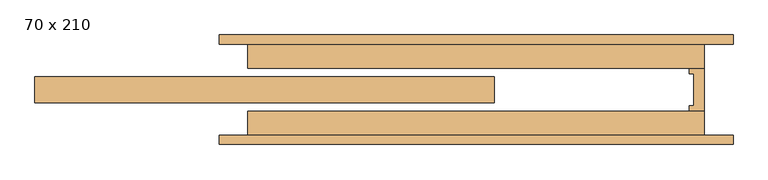
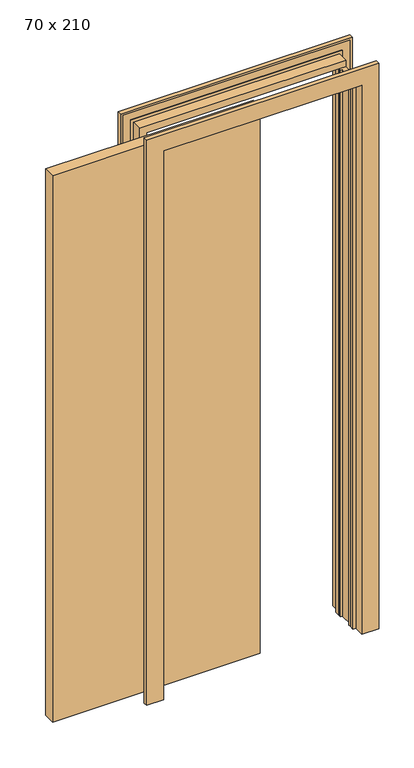
"""IFC4 building model written with IfcOpenShell, lengths in millimetres: door geometry, 70 x 210."""

from ifc_helpers import new_model, si_unit, origin, origin_with_axes, place, context, project, spatial, polyline, outline, extrude, faceted_brep, source, transform, mapped, element, save


def door_70_x_210_5a393b99(model_context):
    return source(origin(), model_context, "Body", "SolidModel", [
        extrude(outline(polyline([(12.8380093, -21.5), (-742.1619907, -21.5), (-742.1619907, 21.5), (12.8380093, 21.5), (12.8380093, -21.5)])), origin_with_axes(), (0.0, 0.0, 1.0), 2100.0),
        extrude(outline(polyline([(357.8380093, -35.0), (332.8380093, -35.0), (332.8380093, -26.0), (340.3380093, -26.0), (340.3380093, 26.0), (332.8380093, 26.0), (332.8380093, 35.0), (357.8380093, 35.0), (357.8380093, -35.0)])), origin_with_axes(), (0.0, 0.0, 1.0), 2100.0),
        faceted_brep([(-439.1619907, 90.0, 0.0), (-377.1619907, 90.0, 0.0), (-377.1619907, 53.5, 0.0), (-367.1619907, 53.5, 0.0), (-367.1619907, 35.0, 0.0), (-392.1619907, 35.0, 0.0), (-392.1619907, 75.0, 0.0), (-402.1619907, 75.0, 0.0), (-402.1619907, 78.0, 0.0), (-432.1679189, 78.0, 0.0), (-432.1679189, 75.0, 0.0), (-439.1619907, 75.0, 0.0), (-439.1619907, 75.0, 2172.0), (-439.1619907, 90.0, 2172.0), (-432.1679189, 75.0, 2165.0059283), (397.8439376, 75.0, 2165.0059283), (397.8439376, 75.0, 0.0), (404.8380093, 75.0, 0.0), (404.8380093, 75.0, 2172.0), (-432.1679189, 78.0, 2165.0059283), (-402.1619907, 78.0, 2135.0), (367.8380093, 78.0, 2135.0), (367.8380093, 78.0, 0.0), (397.8439376, 78.0, 0.0), (397.8439376, 78.0, 2165.0059283), (-402.1619907, 75.0, 2135.0), (-392.1619907, 75.0, 2125.0), (357.8380093, 75.0, 2125.0), (357.8380093, 75.0, 0.0), (367.8380093, 75.0, 0.0), (367.8380093, 75.0, 2135.0), (-392.1619907, 35.0, 2125.0), (-367.1619907, 35.0, 2100.0), (332.8380093, 35.0, 2100.0), (332.8380093, 35.0, 0.0), (357.8380093, 35.0, 0.0), (357.8380093, 35.0, 2125.0), (-367.1619907, 53.5, 2100.0), (-377.1619907, 53.5, 2110.0), (342.8380093, 53.5, 2110.0), (342.8380093, 53.5, 0.0), (332.8380093, 53.5, 0.0), (332.8380093, 53.5, 2100.0), (-377.1619907, 90.0, 2110.0), (404.8380093, 90.0, 2172.0), (404.8380093, 90.0, 0.0), (342.8380093, 90.0, 0.0), (342.8380093, 90.0, 2110.0)], [[[0, 1, 2, 3, 4, 5, 6, 7, 8, 9, 10, 11]], [[11, 12, 13, 0]], [[10, 14, 15, 16, 17, 18, 12, 11]], [[9, 19, 14, 10]], [[8, 20, 21, 22, 23, 24, 19, 9]], [[7, 25, 20, 8]], [[6, 26, 27, 28, 29, 30, 25, 7]], [[5, 31, 26, 6]], [[4, 32, 33, 34, 35, 36, 31, 5]], [[3, 37, 32, 4]], [[2, 38, 39, 40, 41, 42, 37, 3]], [[1, 43, 38, 2]], [[0, 13, 44, 45, 46, 47, 43, 1]], [[18, 17, 45, 44]], [[45, 17, 16, 23, 22, 29, 28, 35, 34, 41, 40, 46]], [[24, 23, 16, 15]], [[30, 29, 22, 21]], [[36, 35, 28, 27]], [[42, 41, 34, 33]], [[47, 46, 40, 39]], [[12, 18, 44, 13]], [[19, 24, 15, 14]], [[25, 30, 21, 20]], [[31, 36, 27, 26]], [[37, 42, 33, 32]], [[43, 47, 39, 38]]]),
        faceted_brep([(-439.1619907, -75.0, 0.0), (-432.0884701, -75.0, 0.0), (-432.0884701, -78.0, 0.0), (-402.1619907, -78.0, 0.0), (-402.1619907, -75.0, 0.0), (-392.1619907, -75.0, 0.0), (-392.1619907, -35.0, 0.0), (-367.1619907, -35.0, 0.0), (-367.1619907, -53.5, 0.0), (-377.1619907, -53.5, 0.0), (-377.1619907, -90.0, 0.0), (-439.1619907, -90.0, 0.0), (-439.1619907, -90.0, 2172.0), (-439.1619907, -75.0, 2172.0), (-377.1619907, -90.0, 2110.0), (342.8380093, -90.0, 2110.0), (342.8380093, -90.0, 0.0), (404.8380093, -90.0, 0.0), (404.8380093, -90.0, 2172.0), (-377.1619907, -53.5, 2110.0), (-367.1619907, -53.5, 2100.0), (332.8380093, -53.5, 2100.0), (332.8380093, -53.5, 0.0), (342.8380093, -53.5, 0.0), (342.8380093, -53.5, 2110.0), (-367.1619907, -35.0, 2100.0), (-392.1619907, -35.0, 2125.0), (357.8380093, -35.0, 2125.0), (357.8380093, -35.0, 0.0), (332.8380093, -35.0, 0.0), (332.8380093, -35.0, 2100.0), (-392.1619907, -75.0, 2125.0), (-402.1619907, -75.0, 2135.0), (367.8380093, -75.0, 2135.0), (367.8380093, -75.0, 0.0), (357.8380093, -75.0, 0.0), (357.8380093, -75.0, 2125.0), (-402.1619907, -78.0, 2135.0), (-432.0884701, -78.0, 2164.9264794), (397.7644888, -78.0, 2164.9264794), (397.7644888, -78.0, 0.0), (367.8380093, -78.0, 0.0), (367.8380093, -78.0, 2135.0), (-432.0884701, -75.0, 2164.9264794), (404.8380093, -75.0, 2172.0), (404.8380093, -75.0, 0.0), (397.7644888, -75.0, 0.0), (397.7644888, -75.0, 2164.9264794)], [[[0, 1, 2, 3, 4, 5, 6, 7, 8, 9, 10, 11]], [[11, 12, 13, 0]], [[10, 14, 15, 16, 17, 18, 12, 11]], [[9, 19, 14, 10]], [[8, 20, 21, 22, 23, 24, 19, 9]], [[7, 25, 20, 8]], [[6, 26, 27, 28, 29, 30, 25, 7]], [[5, 31, 26, 6]], [[4, 32, 33, 34, 35, 36, 31, 5]], [[3, 37, 32, 4]], [[2, 38, 39, 40, 41, 42, 37, 3]], [[1, 43, 38, 2]], [[0, 13, 44, 45, 46, 47, 43, 1]], [[18, 17, 45, 44]], [[45, 17, 16, 23, 22, 29, 28, 35, 34, 41, 40, 46]], [[24, 23, 16, 15]], [[30, 29, 22, 21]], [[36, 35, 28, 27]], [[42, 41, 34, 33]], [[47, 46, 40, 39]], [[12, 18, 44, 13]], [[19, 24, 15, 14]], [[25, 30, 21, 20]], [[31, 36, 27, 26]], [[37, 42, 33, 32]], [[43, 47, 39, 38]]]),
    ])


if __name__ == "__main__":
    model = new_model("IFC4")
    model_context = context("Model", 3, world=origin())
    ifc_project = project(units=[si_unit("LENGTHUNIT", "METRE", prefix="MILLI")], contexts=[model_context])
    site = spatial("IfcSite", under=ifc_project)
    building = spatial("IfcBuilding", under=site)
    placement = place(None, origin())
    door_70_x_210_shape = door_70_x_210_5a393b99(model_context)
    element("IfcDoor", 1, ObjectType="70 x 210", at=placement, inside=building, context=model_context, shape_type="MappedRepresentation", body=[
        mapped(door_70_x_210_shape, transform((0.0, 0.0, 0.0), x_axis=(1.0, 0.0, 0.0), y_axis=(0.0, 1.0, 0.0), z_axis=(0.0, 0.0, 1.0))),
    ])
    save(model, "model.ifc")
